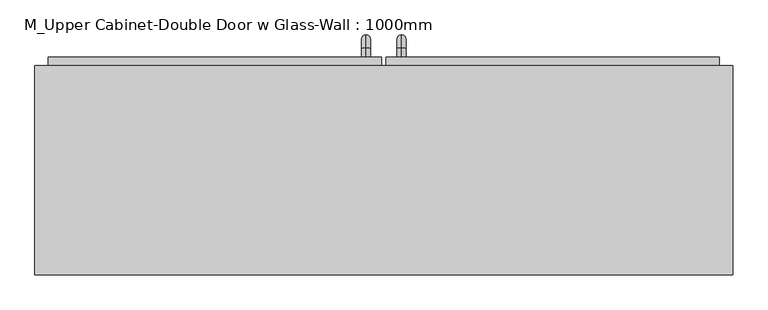
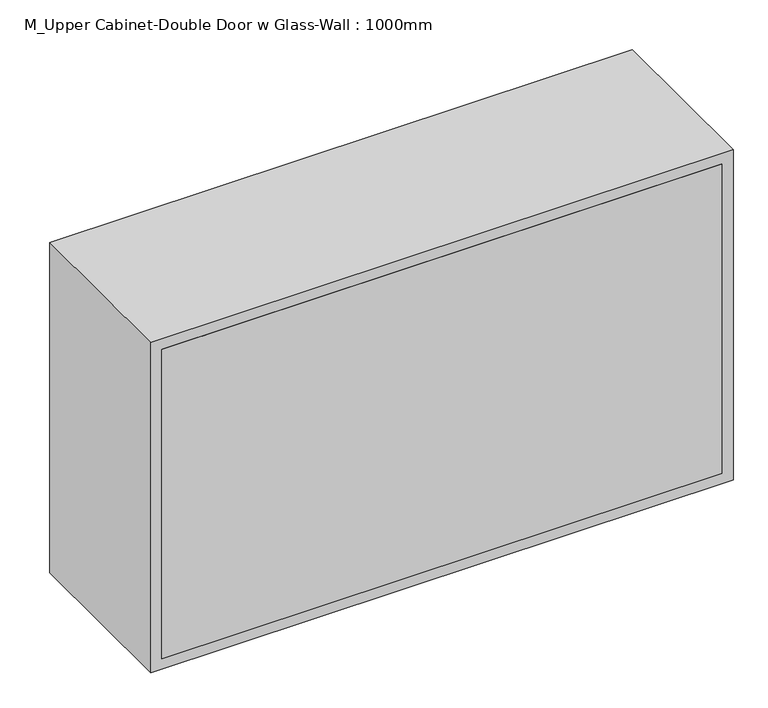
"""IFC4 building model written with IfcOpenShell, lengths in millimetres: furniture geometry, M_Upper Cabinet-Double Door w Glass-Wall : 1000mm."""

from ifc_helpers import new_model, si_unit, point, frame, origin, place, context, project, spatial, polyline, circle_curve, ellipse_curve, trimmed, outline, extrude, source, transform, mapped, element, save
from ifc_brep_helpers import plane_surface, cylinder_surface, revolved_surface, advanced_brep


def m_upper_cabinet_double_door_w_glass_wall_1000mm_309ab641(model_context):
    return source(origin(), model_context, "Body", "SolidModel", [
        advanced_brep(
        [(55.1711628, 412.7, 1546.05), (55.1711628, 412.7, 1558.75), (55.1711628, 425.4, 1546.05), (55.1711628, 425.4, 1558.75), (55.1711628, 444.45, 1539.7), (55.1711628, 431.75, 1539.7), (55.1711628, 431.75, 1463.5), (55.1711628, 444.45, 1463.5), (55.1711628, 425.4, 1444.45), (55.1711628, 425.4, 1457.15), (55.1711628, 412.7, 1457.15), (55.1711628, 412.7, 1444.45)],
        [
            (0, 1, circle_curve(frame((55.1711628, 412.7, 1552.4), z_axis=(0.0, -1.0, 0.0), x_axis=(0.0, 0.0, -1.0)), 6.35)),
            (1, 0, circle_curve(frame((55.1711628, 412.7, 1552.4), z_axis=(0.0, -1.0, 0.0), x_axis=(0.0, 0.0, -1.0)), 6.35)),
            (0, 2),
            (2, 3, circle_curve(frame((55.1711628, 425.4, 1552.4), z_axis=(0.0, -1.0, 0.0), x_axis=(0.0, 0.0, -1.0)), 6.35)),
            (3, 1),
            (3, 2, circle_curve(frame((55.1711628, 425.4, 1552.4), z_axis=(0.0, -1.0, 0.0), x_axis=(0.0, 0.0, -1.0)), 6.35)),
            (4, 3, circle_curve(frame((55.1711628, 425.4, 1539.7), z_axis=(1.0, 0.0, 0.0), x_axis=(0.0, 0.0, 1.0)), 19.05)),
            (2, 5, circle_curve(frame((55.1711628, 425.4, 1539.7), z_axis=(-1.0, 0.0, 0.0), x_axis=(0.0, 0.0, 1.0)), 6.35)),
            (5, 4, circle_curve(frame((55.1711628, 438.1, 1539.7), z_axis=(0.0, 0.0, 1.0), x_axis=(0.0, -1.0, 0.0)), 6.35)),
            (4, 5, circle_curve(frame((55.1711628, 438.1, 1539.7), z_axis=(0.0, 0.0, 1.0), x_axis=(0.0, -1.0, 0.0)), 6.35)),
            (5, 6),
            (6, 7, circle_curve(frame((55.1711628, 438.1, 1463.5), z_axis=(0.0, 0.0, 1.0), x_axis=(0.0, -1.0, 0.0)), 6.35)),
            (7, 4),
            (7, 6, circle_curve(frame((55.1711628, 438.1, 1463.5), z_axis=(0.0, 0.0, 1.0), x_axis=(0.0, -1.0, 0.0)), 6.35)),
            (8, 7, circle_curve(frame((55.1711628, 425.4, 1463.5), z_axis=(1.0, 0.0, 0.0), x_axis=(0.0, 1.0, 0.0)), 19.05)),
            (6, 9, circle_curve(frame((55.1711628, 425.4, 1463.5), z_axis=(-1.0, 0.0, 0.0), x_axis=(0.0, 1.0, 0.0)), 6.35)),
            (9, 8, circle_curve(frame((55.1711628, 425.4, 1450.8), z_axis=(0.0, 1.0, 0.0), x_axis=(0.0, 0.0, 1.0)), 6.35)),
            (8, 9, circle_curve(frame((55.1711628, 425.4, 1450.8), z_axis=(0.0, 1.0, 0.0), x_axis=(0.0, 0.0, 1.0)), 6.35)),
            (10, 11, circle_curve(frame((55.1711628, 412.7, 1450.8), z_axis=(0.0, -1.0, 0.0), x_axis=(0.0, 0.0, 1.0)), 6.35)),
            (11, 10, circle_curve(frame((55.1711628, 412.7, 1450.8), z_axis=(0.0, -1.0, 0.0), x_axis=(0.0, 0.0, 1.0)), 6.35)),
            (9, 10),
            (11, 8),
        ],
        [
            plane_surface(frame((48.8211628, 412.7, 1552.4), z_axis=(0.0, -1.0, 0.0), x_axis=(0.0, 0.0, 1.0))),
            cylinder_surface(frame((55.1711628, 412.7, 1552.4), z_axis=(0.0, -1.0, 0.0), x_axis=(0.0, 0.0, -1.0)), 6.35),
            revolved_surface(trimmed(ellipse_curve(frame((55.1711628, 425.4, 1552.4), z_axis=(0.0, -1.0, 0.0), x_axis=(0.0, 0.0, -1.0)), 6.35, 6.35), [point((55.1711628, 425.4, 1546.05))], [point((55.1711628, 425.4, 1558.75))], True, "CARTESIAN"), (55.1711628, 425.4, 1539.7), (-1.0, 0.0, 0.0)),
            revolved_surface(trimmed(ellipse_curve(frame((55.1711628, 425.4, 1552.4), z_axis=(0.0, -1.0, 0.0), x_axis=(0.0, 0.0, -1.0)), 6.35, 6.35), [point((55.1711628, 425.4, 1558.75))], [point((55.1711628, 425.4, 1546.05))], True, "CARTESIAN"), (55.1711628, 425.4, 1539.7), (-1.0, 0.0, 0.0)),
            cylinder_surface(frame((55.1711628, 438.1, 1539.7), z_axis=(0.0, 0.0, 1.0), x_axis=(0.0, -1.0, 0.0)), 6.35),
            revolved_surface(trimmed(ellipse_curve(frame((55.1711628, 438.1, 1463.5), z_axis=(0.0, 0.0, 1.0), x_axis=(0.0, -1.0, 0.0)), 6.35, 6.35), [point((55.1711628, 431.75, 1463.5))], [point((55.1711628, 444.45, 1463.5))], True, "CARTESIAN"), (55.1711628, 425.4, 1463.5), (-1.0, 0.0, 0.0)),
            revolved_surface(trimmed(ellipse_curve(frame((55.1711628, 438.1, 1463.5), z_axis=(0.0, 0.0, 1.0), x_axis=(0.0, -1.0, 0.0)), 6.35, 6.35), [point((55.1711628, 444.45, 1463.5))], [point((55.1711628, 431.75, 1463.5))], True, "CARTESIAN"), (55.1711628, 425.4, 1463.5), (-1.0, 0.0, 0.0)),
            plane_surface(frame((48.8211628, 412.7, 1450.8), z_axis=(0.0, -1.0, 0.0), x_axis=(0.0, 0.0, -1.0))),
            cylinder_surface(frame((55.1711628, 425.4, 1450.8), z_axis=(0.0, 1.0, 0.0), x_axis=(0.0, 0.0, 1.0)), 6.35),
        ],
        [
            (0, [[1, 2]]),
            (1, [[-1, 3, 4, 5]]),
            (1, [[-2, -5, 6, -3]]),
            (2, [[7, -4, 8, 9]]),
            (3, [[-8, -6, -7, 10]]),
            (4, [[-9, 11, 12, 13]]),
            (4, [[-10, -13, 14, -11]]),
            (5, [[15, -12, 16, 17]]),
            (6, [[-16, -14, -15, 18]]),
            (7, [[19, 20]]),
            (8, [[-17, 21, -20, 22]]),
            (8, [[-18, -22, -19, -21]]),
        ],
    ),
        advanced_brep(
        [(4.3711628, 412.7, 1546.05), (4.3711628, 412.7, 1558.75), (4.3711628, 425.4, 1546.05), (4.3711628, 425.4, 1558.75), (4.3711628, 444.45, 1539.7), (4.3711628, 431.75, 1539.7), (4.3711628, 431.75, 1463.5), (4.3711628, 444.45, 1463.5), (4.3711628, 425.4, 1444.45), (4.3711628, 425.4, 1457.15), (4.3711628, 412.7, 1457.15), (4.3711628, 412.7, 1444.45)],
        [
            (0, 1, circle_curve(frame((4.3711628, 412.7, 1552.4), z_axis=(0.0, -1.0, 0.0), x_axis=(0.0, 0.0, 1.0)), 6.35)),
            (1, 0, circle_curve(frame((4.3711628, 412.7, 1552.4), z_axis=(0.0, -1.0, 0.0), x_axis=(0.0, 0.0, 1.0)), 6.35)),
            (0, 2),
            (2, 3, circle_curve(frame((4.3711628, 425.4, 1552.4), z_axis=(0.0, -1.0, 0.0), x_axis=(0.0, 0.0, 1.0)), 6.35)),
            (3, 1),
            (3, 2, circle_curve(frame((4.3711628, 425.4, 1552.4), z_axis=(0.0, -1.0, 0.0), x_axis=(0.0, 0.0, 1.0)), 6.35)),
            (4, 3, circle_curve(frame((4.3711628, 425.4, 1539.7), z_axis=(1.0, 0.0, 0.0), x_axis=(0.0, 0.0, 1.0)), 19.05)),
            (2, 5, circle_curve(frame((4.3711628, 425.4, 1539.7), z_axis=(-1.0, 0.0, 0.0), x_axis=(0.0, 0.0, 1.0)), 6.35)),
            (5, 4, circle_curve(frame((4.3711628, 438.1, 1539.7), z_axis=(0.0, 0.0, 1.0), x_axis=(0.0, 1.0, 0.0)), 6.35)),
            (4, 5, circle_curve(frame((4.3711628, 438.1, 1539.7), z_axis=(0.0, 0.0, 1.0), x_axis=(0.0, 1.0, 0.0)), 6.35)),
            (5, 6),
            (6, 7, circle_curve(frame((4.3711628, 438.1, 1463.5), z_axis=(0.0, 0.0, 1.0), x_axis=(0.0, 1.0, 0.0)), 6.35)),
            (7, 4),
            (7, 6, circle_curve(frame((4.3711628, 438.1, 1463.5), z_axis=(0.0, 0.0, 1.0), x_axis=(0.0, 1.0, 0.0)), 6.35)),
            (8, 7, circle_curve(frame((4.3711628, 425.4, 1463.5), z_axis=(1.0, 0.0, 0.0), x_axis=(0.0, 1.0, 0.0)), 19.05)),
            (6, 9, circle_curve(frame((4.3711628, 425.4, 1463.5), z_axis=(-1.0, 0.0, 0.0), x_axis=(0.0, 1.0, 0.0)), 6.35)),
            (9, 8, circle_curve(frame((4.3711628, 425.4, 1450.8), z_axis=(0.0, 1.0, 0.0), x_axis=(0.0, 0.0, -1.0)), 6.35)),
            (8, 9, circle_curve(frame((4.3711628, 425.4, 1450.8), z_axis=(0.0, 1.0, 0.0), x_axis=(0.0, 0.0, -1.0)), 6.35)),
            (10, 11, circle_curve(frame((4.3711628, 412.7, 1450.8), z_axis=(0.0, -1.0, 0.0), x_axis=(0.0, 0.0, -1.0)), 6.35)),
            (11, 10, circle_curve(frame((4.3711628, 412.7, 1450.8), z_axis=(0.0, -1.0, 0.0), x_axis=(0.0, 0.0, -1.0)), 6.35)),
            (9, 10),
            (11, 8),
        ],
        [
            plane_surface(frame((-1.9788372, 412.7, 1552.4), z_axis=(0.0, -1.0, 0.0), x_axis=(0.0, 0.0, 1.0))),
            cylinder_surface(frame((4.3711628, 412.7, 1552.4), z_axis=(0.0, -1.0, 0.0), x_axis=(0.0, 0.0, 1.0)), 6.35),
            revolved_surface(trimmed(ellipse_curve(frame((4.3711628, 425.4, 1552.4), z_axis=(0.0, -1.0, 0.0), x_axis=(0.0, 0.0, 1.0)), 6.35, 6.35), [point((4.3711628, 425.4, 1546.05))], [point((4.3711628, 425.4, 1558.75))], True, "CARTESIAN"), (4.3711628, 425.4, 1539.7), (-1.0, 0.0, 0.0)),
            revolved_surface(trimmed(ellipse_curve(frame((4.3711628, 425.4, 1552.4), z_axis=(0.0, -1.0, 0.0), x_axis=(0.0, 0.0, 1.0)), 6.35, 6.35), [point((4.3711628, 425.4, 1558.75))], [point((4.3711628, 425.4, 1546.05))], True, "CARTESIAN"), (4.3711628, 425.4, 1539.7), (-1.0, 0.0, 0.0)),
            cylinder_surface(frame((4.3711628, 438.1, 1539.7), z_axis=(0.0, 0.0, 1.0), x_axis=(0.0, 1.0, 0.0)), 6.35),
            revolved_surface(trimmed(ellipse_curve(frame((4.3711628, 438.1, 1463.5), z_axis=(0.0, 0.0, 1.0), x_axis=(0.0, 1.0, 0.0)), 6.35, 6.35), [point((4.3711628, 431.75, 1463.5))], [point((4.3711628, 444.45, 1463.5))], True, "CARTESIAN"), (4.3711628, 425.4, 1463.5), (-1.0, 0.0, 0.0)),
            revolved_surface(trimmed(ellipse_curve(frame((4.3711628, 438.1, 1463.5), z_axis=(0.0, 0.0, 1.0), x_axis=(0.0, 1.0, 0.0)), 6.35, 6.35), [point((4.3711628, 444.45, 1463.5))], [point((4.3711628, 431.75, 1463.5))], True, "CARTESIAN"), (4.3711628, 425.4, 1463.5), (-1.0, 0.0, 0.0)),
            plane_surface(frame((-1.9788372, 412.7, 1450.8), z_axis=(0.0, -1.0, 0.0), x_axis=(0.0, 0.0, -1.0))),
            cylinder_surface(frame((4.3711628, 425.4, 1450.8), z_axis=(0.0, 1.0, 0.0), x_axis=(0.0, 0.0, -1.0)), 6.35),
        ],
        [
            (0, [[1, 2]]),
            (1, [[-1, 3, 4, 5]]),
            (1, [[-2, -5, 6, -3]]),
            (2, [[7, -4, 8, 9]]),
            (3, [[-8, -6, -7, 10]]),
            (4, [[-9, 11, 12, 13]]),
            (4, [[-10, -13, 14, -11]]),
            (5, [[15, -12, 16, 17]]),
            (6, [[-16, -14, -15, 18]]),
            (7, [[19, 20]]),
            (8, [[-17, 21, -20, 22]]),
            (8, [[-18, -22, -19, -21]]),
        ],
    ),
        extrude(outline(polyline([(64.6961628, 393.65), (478.9711628, 393.65), (478.9711628, 387.3), (64.6961628, 387.3), (64.6961628, 393.65)])), frame((0.0, 0.0, 1450.8), z_axis=(0.0, 0.0, 1.0), x_axis=(1.0, 0.0, 0.0)), (0.0, 0.0, 1.0), 498.4),
        extrude(outline(polyline([(-419.4288372, 393.65), (-5.1538372, 393.65), (-5.1538372, 387.3), (-419.4288372, 387.3), (-419.4288372, 393.65)])), frame((0.0, 0.0, 1450.8), z_axis=(0.0, 0.0, 1.0), x_axis=(1.0, 0.0, 0.0)), (0.0, 0.0, 1.0), 498.4),
        extrude(outline(polyline([(1980.95, 32.9461628), (1419.05, 32.9461628), (1419.05, 510.7211628), (1980.95, 510.7211628), (1980.95, 32.9461628)]), holes=[polyline([(1450.8, 64.6961628), (1949.2, 64.6961628), (1949.2, 478.9711628), (1450.8, 478.9711628), (1450.8, 64.6961628)])]), frame((0.0, 380.95, 0.0), z_axis=(0.0, 1.0, 0.0), x_axis=(0.0, 0.0, 1.0)), (0.0, 0.0, 1.0), 31.75),
        extrude(outline(polyline([(1419.05, -451.1788372), (1419.05, 26.5961628), (1980.95, 26.5961628), (1980.95, -451.1788372), (1419.05, -451.1788372)]), holes=[polyline([(1949.2, -5.1538372), (1450.8, -5.1538372), (1450.8, -419.4288372), (1949.2, -419.4288372), (1949.2, -5.1538372)])]), frame((0.0, 380.95, 0.0), z_axis=(0.0, 1.0, 0.0), x_axis=(0.0, 0.0, 1.0)), (0.0, 0.0, 1.0), 31.75),
        extrude(outline(polyline([(510.7211628, 100.0), (-451.1788372, 100.0), (-451.1788372, 119.05), (510.7211628, 119.05), (510.7211628, 100.0)])), frame((0.0, 0.0, 1419.05), z_axis=(0.0, 0.0, 1.0), x_axis=(1.0, 0.0, 0.0)), (0.0, 0.0, 1.0), 561.9),
        extrude(outline(polyline([(2000.0, -470.2288372), (1400.0, -470.2288372), (1400.0, 529.7711628), (2000.0, 529.7711628), (2000.0, -470.2288372)]), holes=[polyline([(1980.95, -451.1788372), (1980.95, 510.7211628), (1419.05, 510.7211628), (1419.05, -451.1788372), (1980.95, -451.1788372)])]), frame((0.0, 100.0, 0.0), z_axis=(0.0, 1.0, 0.0), x_axis=(0.0, 0.0, 1.0)), (0.0, 0.0, 1.0), 300.0),
    ])


if __name__ == "__main__":
    model = new_model("IFC4")
    model_context = context("Model", 3, world=origin())
    ifc_project = project(units=[si_unit("LENGTHUNIT", "METRE", prefix="MILLI")], contexts=[model_context])
    site = spatial("IfcSite", under=ifc_project)
    building = spatial("IfcBuilding", under=site)
    placement = place(None, origin())
    m_upper_cabinet_double_door_w_glass_wall_1000mm_shape = m_upper_cabinet_double_door_w_glass_wall_1000mm_309ab641(model_context)
    element("IfcFurniture", 1, ObjectType="M_Upper Cabinet-Double Door w Glass-Wall : 1000mm", at=placement, inside=building, context=model_context, shape_type="MappedRepresentation", body=[
        mapped(m_upper_cabinet_double_door_w_glass_wall_1000mm_shape, transform((0.0, 0.0, 0.0), x_axis=(1.0, 0.0, 0.0), y_axis=(0.0, 1.0, 0.0), z_axis=(0.0, 0.0, 1.0))),
    ])
    save(model, "model.ifc")
